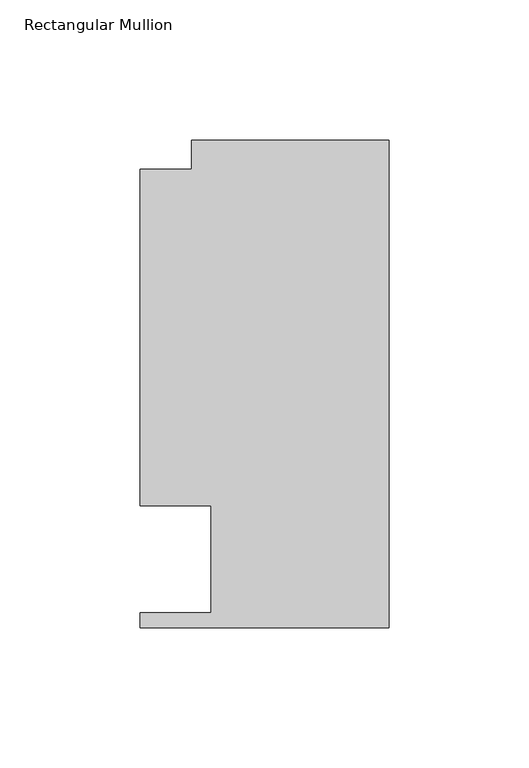
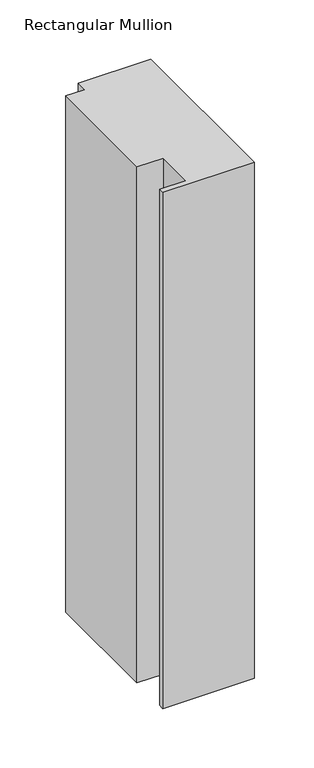
"""IFC4 building model written with IfcOpenShell, lengths in millimetres: member geometry, Rectangular Mullion."""

import ifcopenshell
import ifcopenshell.guid

model = None  # the IFC model being written
_history = None  # IfcOwnerHistory: only IFC2X3 demands one
_inside = {}  # id of a spatial element -> (the spatial element, [elements in it])
_under = {}  # id of a project, library or spatial element -> (it, [spatial elements below it])
_declared = {}  # id of a project -> (the project, [libraries it declares])
_typed = {}  # id of a type object -> (the type object, [elements of that type])
_made_of = {}  # id of a material, layer set ... -> (it, [elements and type objects made of it])


def new_model(schema):
    """Start an empty IFC model of exactly this schema.

    Asked for "IFC4X3", IfcOpenShell would pick the latest addendum, in which some entities
    have other attributes; the version numbers below select the first issue.
    IFC2X3 requires an IfcOwnerHistory on every rooted entity: one is made here for all.
    """
    global model, _history
    if schema == "IFC4X3":
        model = ifcopenshell.file(schema_version=(4, 3, 0, 0))
    else:
        model = ifcopenshell.file(schema=schema)
    _inside.clear()
    _under.clear()
    _declared.clear()
    _typed.clear()
    _made_of.clear()
    _history = None
    if model.schema == "IFC2X3":
        org = make("IfcOrganization", Name="unknown")
        user = make(
            "IfcPersonAndOrganization",
            ThePerson=make("IfcPerson", FamilyName="unknown"),
            TheOrganization=org,
        )
        app = make(
            "IfcApplication",
            ApplicationDeveloper=org,
            Version="unknown",
            ApplicationFullName="unknown",
            ApplicationIdentifier="unknown",
        )
        _history = make(
            "IfcOwnerHistory",
            OwningUser=user,
            OwningApplication=app,
            ChangeAction="ADDED",
            CreationDate=0,
        )
    return model


def make(cls, **values):
    """One entity of the class cls with the attributes given. An attribute that is None is left unset."""
    return model.create_entity(
        cls, **{name: value for name, value in values.items() if value is not None}
    )


def rooted(cls, **values):
    """An entity with a GlobalId (a new one), such as an element, a storey or a relation."""
    return make(cls, GlobalId=ifcopenshell.guid.new(), OwnerHistory=_history, **values)


def si_unit(unit_type, name, prefix=None):
    """IfcSIUnit, for example si_unit("LENGTHUNIT", "METRE", prefix="MILLI")."""
    return make("IfcSIUnit", UnitType=unit_type, Prefix=prefix, Name=name)


def assignment(units):
    """IfcUnitAssignment: the units of a project."""
    return None if units is None else make("IfcUnitAssignment", Units=units)


def point(xyz):
    """IfcCartesianPoint."""
    return None if xyz is None else make("IfcCartesianPoint", Coordinates=xyz)


def direction(xyz):
    """IfcDirection."""
    return None if xyz is None else make("IfcDirection", DirectionRatios=xyz)


def frame(location, z_axis=None, x_axis=None):
    """IfcAxis2Placement3D, a coordinate frame: its origin and axes. An axis left out is left unset."""
    return make(
        "IfcAxis2Placement3D",
        Location=point(location),
        Axis=direction(z_axis),
        RefDirection=direction(x_axis),
    )


def origin():
    """The frame at (0, 0, 0) with its axes left unset."""
    return frame((0.0, 0.0, 0.0))


def place(relative_to, where):
    """IfcLocalPlacement: puts the frame where relative to a parent placement (None: the world)."""
    return make(
        "IfcLocalPlacement", PlacementRelTo=relative_to, RelativePlacement=where
    )


def context(
    kind, dimensions, precision=None, world=None, true_north=None, identifier=None
):
    """IfcGeometricRepresentationContext, for example the 3D "Model" context."""
    return make(
        "IfcGeometricRepresentationContext",
        ContextIdentifier=identifier,
        ContextType=kind,
        CoordinateSpaceDimension=dimensions,
        Precision=precision,
        WorldCoordinateSystem=world,
        TrueNorth=true_north,
    )


def project(units=None, contexts=None):
    """IfcProject with its units and contexts."""
    return rooted(
        "IfcProject",
        Name="project",
        RepresentationContexts=contexts,
        UnitsInContext=assignment(units),
    )


def spatial(cls, under=None, at=None, **own):
    """A site, building, storey or space (cls), placed at a placement, below another one or the project."""
    s = rooted(cls, ObjectPlacement=at, **own)
    if under is not None:
        _under.setdefault(under.id(), (under, []))[1].append(s)
    return s


def polyline(points):
    """IfcPolyline through the points."""
    return make("IfcPolyline", Points=[point(p) for p in points])


def outline(outer, holes=None, kind="AREA"):
    """IfcArbitraryClosedProfileDef: a profile drawn as a closed curve; with holes, ...WithVoids."""
    if holes is None:
        return make("IfcArbitraryClosedProfileDef", ProfileType=kind, OuterCurve=outer)
    return make(
        "IfcArbitraryProfileDefWithVoids",
        ProfileType=kind,
        OuterCurve=outer,
        InnerCurves=holes,
    )


def extrude(swept, where, along, depth):
    """IfcExtrudedAreaSolid: the profile swept, set in the frame where, extruded along a direction by depth."""
    return make(
        "IfcExtrudedAreaSolid",
        SweptArea=swept,
        Position=where,
        ExtrudedDirection=direction(along),
        Depth=depth,
    )


def shape(context_of_items, identifier, shape_type, items):
    """IfcShapeRepresentation: the items that make up one representation, for example the "Body"."""
    return make(
        "IfcShapeRepresentation",
        ContextOfItems=context_of_items,
        RepresentationIdentifier=identifier,
        RepresentationType=shape_type,
        Items=items,
    )


def source(mapping_origin, context_of_items, identifier, shape_type, items):
    """IfcRepresentationMap: a shape defined once, which mapped items show again and again."""
    return make(
        "IfcRepresentationMap",
        MappingOrigin=mapping_origin,
        MappedRepresentation=shape(context_of_items, identifier, shape_type, items),
    )


def transform(
    local_origin,
    x_axis=None,
    y_axis=None,
    z_axis=None,
    scale=None,
    scale2=None,
    scale3=None,
    uniform=True,
):
    """IfcCartesianTransformationOperator3D, or its non-uniform kind. x_axis, y_axis, z_axis: its Axis1, 2, 3."""
    if uniform:
        return make(
            "IfcCartesianTransformationOperator3D",
            Axis1=direction(x_axis),
            Axis2=direction(y_axis),
            LocalOrigin=point(local_origin),
            Scale=scale,
            Axis3=direction(z_axis),
        )
    return make(
        "IfcCartesianTransformationOperator3DnonUniform",
        Axis1=direction(x_axis),
        Axis2=direction(y_axis),
        LocalOrigin=point(local_origin),
        Scale=scale,
        Axis3=direction(z_axis),
        Scale2=scale2,
        Scale3=scale3,
    )


def mapped(mapping_source, mapping_target):
    """IfcMappedItem: shows the shape of a source again, moved by a transform."""
    return make(
        "IfcMappedItem", MappingSource=mapping_source, MappingTarget=mapping_target
    )


def made_of(thing, what):
    """Note that an element or type object is made of a material, layer set ...; save() writes the relation."""
    if what is not None:
        _made_of.setdefault(what.id(), (what, []))[1].append(thing)
    return thing


def element(
    cls,
    number,
    at=None,
    inside=None,
    cuts=None,
    type_object=None,
    material=None,
    context=None,
    identifier="Body",
    shape_type=None,
    held_by="IfcProductDefinitionShape",
    body=None,
    shapes=None,
    **own,
):
    """One element of the class cls, such as IfcWall. Its Tag is "e" and its number.

    at: its placement. inside: the storey or other place that contains it. cuts: it is an
    opening in that element (IfcRelVoidsElement). A single representation is given by context,
    identifier, shape_type and body (its items); several are given by shapes. held_by: the class
    of the entity that holds the representations. save() writes the other relations.
    """
    e = rooted(cls, Tag="e%d" % number, ObjectPlacement=at, **own)
    if body is not None:
        shapes = [shape(context, identifier, shape_type, body)]
    if shapes is not None:
        e.Representation = make(held_by, Representations=shapes)
    if inside is not None:
        _inside.setdefault(inside.id(), (inside, []))[1].append(e)
    if cuts is not None:
        rooted(
            "IfcRelVoidsElement", RelatingBuildingElement=cuts, RelatedOpeningElement=e
        )
    if type_object is not None:
        _typed.setdefault(type_object.id(), (type_object, []))[1].append(e)
    return made_of(e, material)


def aggregate(whole, parts):
    """IfcRelAggregates: a whole, such as a stair, and the parts it consists of."""
    return rooted("IfcRelAggregates", RelatingObject=whole, RelatedObjects=parts)


def save(model, path):
    """Write the relations noted so far, then the file.

    IfcRelAggregates (storeys below a building ...), IfcRelContainedInSpatialStructure (elements
    in a storey), IfcRelDefinesByType, IfcRelAssociatesMaterial and IfcRelDeclares: one each for
    every whole, place, type object, material and project.
    """
    for whole, parts in _under.values():
        aggregate(whole, parts)
    for where, things in _inside.values():
        rooted(
            "IfcRelContainedInSpatialStructure",
            RelatedElements=things,
            RelatingStructure=where,
        )
    for kind, things in _typed.values():
        rooted("IfcRelDefinesByType", RelatedObjects=things, RelatingType=kind)
    for what, things in _made_of.values():
        rooted("IfcRelAssociatesMaterial", RelatedObjects=things, RelatingMaterial=what)
    for by, libraries in _declared.values():
        rooted("IfcRelDeclares", RelatingContext=by, RelatedDefinitions=libraries)
    model.write(path)


def rectangular_mullion_454e8740(model_context):
    return source(origin(), model_context, "Body", "SweptSolid", [
        extrude(outline(polyline([(-88.9131928, 151.892), (-70.395709, 151.892), (-70.395709, 162.3059961), (0.0, 162.3059961), (0.0, -11.684), (-88.9131928, -11.684), (-88.9131928, -6.35), (-63.5131928, -6.35), (-63.5131928, 31.75), (-88.9131928, 31.75), (-88.9131928, 151.892)])), frame((0.0, 0.0, -530.352), z_axis=(0.0, 0.0, 1.0), x_axis=(1.0, 0.0, 0.0)), (0.0, 0.0, 1.0), 530.352),
    ])


if __name__ == "__main__":
    model = new_model("IFC4")
    model_context = context("Model", 3, world=origin())
    ifc_project = project(units=[si_unit("LENGTHUNIT", "METRE", prefix="MILLI")], contexts=[model_context])
    site = spatial("IfcSite", under=ifc_project)
    building = spatial("IfcBuilding", under=site)
    placement = place(None, origin())
    rectangular_mullion_shape = rectangular_mullion_454e8740(model_context)
    element("IfcMember", 1, ObjectType="Rectangular Mullion", at=placement, inside=building, context=model_context, shape_type="MappedRepresentation", body=[
        mapped(rectangular_mullion_shape, transform((0.0, 0.0, 0.0), x_axis=(1.0, 0.0, 0.0), y_axis=(0.0, 1.0, 0.0), z_axis=(0.0, 0.0, 1.0))),
    ])
    save(model, "model.ifc")
